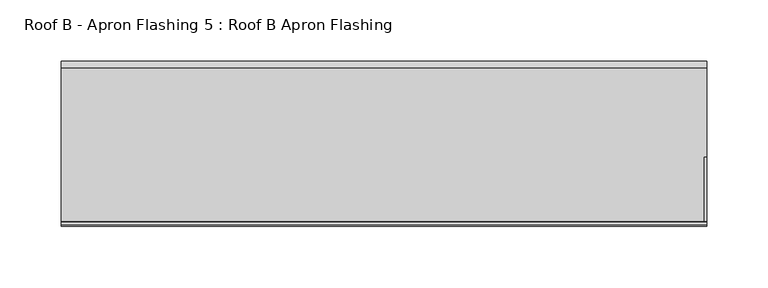
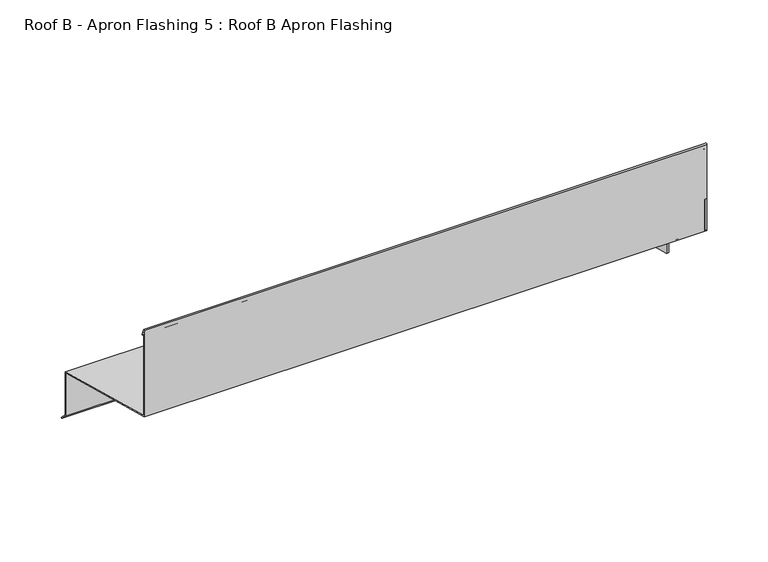
"""IFC4 building model written with IfcOpenShell, lengths in millimetres: proxy geometry, Roof B - Apron Flashing 5 : Roof B Apron Flashing."""

from ifc_helpers import new_model, si_unit, point, frame, frame_2d, origin, place, context, project, spatial, polyline, circle_curve, trimmed, segment, composite_curve, outline, extrude, source, transform, mapped, element, save


def roof_b_apron_flashing_5_roof_b_apron_flashing_f0b89ac9(model_context):
    return source(origin(), model_context, "Body", "SweptSolid", [
        extrude(outline(polyline([(673.2344915, -388.7215885), (606.3104315, -370.7893406), (606.3104315, -328.1681328), (673.2344915, -346.1003806), (673.2344915, -388.7215885)])), frame((13694.3541786, 0.0, 0.0), z_axis=(1.0, 0.0, 0.0), x_axis=(0.0, 1.0, 0.0)), (0.0, 0.0, 1.0), 2.0),
        extrude(outline(polyline([(601.3104315, -325.7931106), (544.8615096, -310.6676676), (544.8615096, -279.7934577), (601.3104315, -294.9189008), (601.3104315, -325.7931106)])), frame((13694.3541786, 0.0, 0.0), z_axis=(1.0, 0.0, 0.0), x_axis=(0.0, 1.0, 0.0)), (0.0, 0.0, 1.0), 2.0),
        extrude(outline(composite_curve([segment(polyline([(674.2344915, -345.3330536), (674.2344915, -388.338713), (680.2651268, -394.3693483), (679.55802, -395.0764551), (673.2344915, -388.7529266), (673.2344915, -346.1003806), (544.8615096, -311.7029438), (544.8615096, -225.8538686)]), True, "CONTINUOUS"), segment(trimmed(circle_curve(frame_2d((545.5405538, -225.8538686)), 0.6790442), [point((544.8615096, -225.8538686))], [point((546.1701526, -225.5994942))], False, "CARTESIAN"), True, "CONTINUOUS"), segment(polyline([(546.1701526, -225.5994942), (548.5846074, -231.5754797)]), True, "CONTINUOUS"), segment(trimmed(circle_curve(frame_2d((548.1210155, -231.762783)), 0.5), [point((548.5846074, -231.5754797))], [point((547.6574236, -231.9500863))], False, "CARTESIAN"), True, "CONTINUOUS"), segment(polyline([(547.6574236, -231.9500863), (545.8615096, -227.5050431), (545.8615096, -310.9356168), (674.2344915, -345.3330536)]), True, "CONTINUOUS")], self_intersect=False)), frame((13167.4791786, 0.0, 0.0), z_axis=(1.0, 0.0, 0.0), x_axis=(0.0, 1.0, 0.0)), (0.0, 0.0, 1.0), 528.875),
    ])


if __name__ == "__main__":
    model = new_model("IFC4")
    model_context = context("Model", 3, world=origin())
    ifc_project = project(units=[si_unit("LENGTHUNIT", "METRE", prefix="MILLI")], contexts=[model_context])
    site = spatial("IfcSite", under=ifc_project)
    building = spatial("IfcBuilding", under=site)
    placement = place(None, origin())
    roof_b_apron_flashing_5_roof_b_apron_flashing_shape = roof_b_apron_flashing_5_roof_b_apron_flashing_f0b89ac9(model_context)
    element("IfcBuildingElementProxy", 1, Name="Roof B - Apron Flashing 5 : Roof B Apron Flashing", ObjectType="Roof B - Apron Flashing 5 : Roof B Apron Flashing", at=placement, inside=building, context=model_context, shape_type="MappedRepresentation", body=[
        mapped(roof_b_apron_flashing_5_roof_b_apron_flashing_shape, transform((0.0, 0.0, 0.0), x_axis=(1.0, 0.0, 0.0), y_axis=(0.0, 1.0, 0.0), z_axis=(0.0, 0.0, 1.0))),
    ])
    save(model, "model.ifc")
